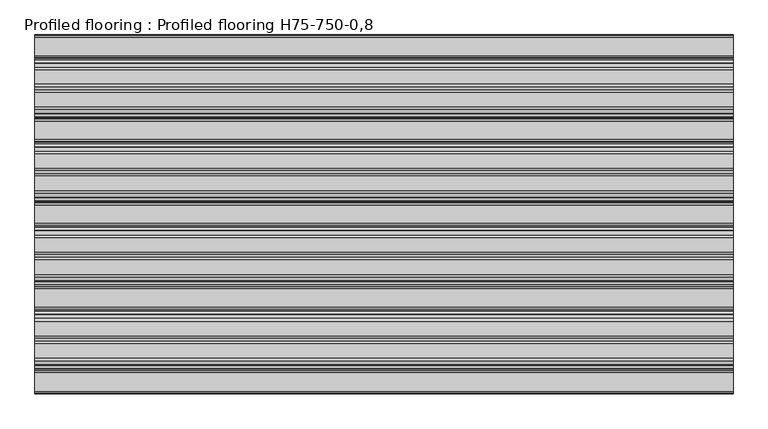
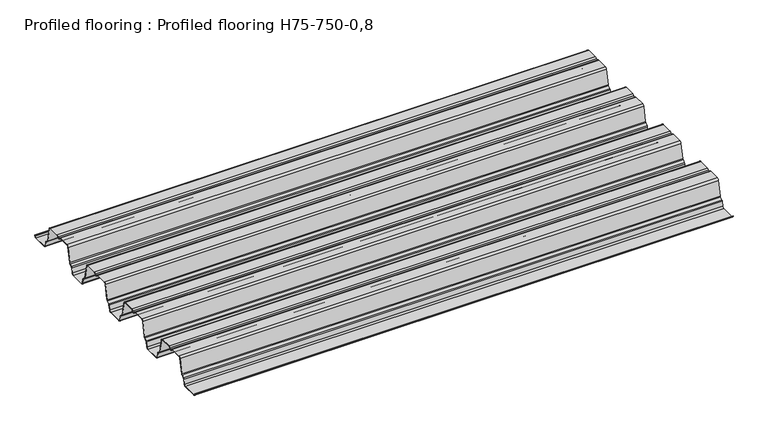
"""IFC4 building model written with IfcOpenShell, lengths in millimetres: beam geometry, Profiled flooring : Profiled flooring H75-750-0,8."""

from ifc_helpers import new_model, si_unit, point, frame, frame_2d, origin, place, context, project, spatial, polyline, circle_curve, trimmed, segment, composite_curve, outline, extrude, source, transform, mapped, element, save


def profiled_flooring_profiled_flooring_h75_750_0_8_088523be(model_context):
    return source(origin(), model_context, "Body", "SweptSolid", [
        extrude(outline(composite_curve([segment(polyline([(289.6571398, 75.0), (322.5532526, 75.0)]), True, "CONTINUOUS"), segment(trimmed(circle_curve(frame_2d((322.5532526, 69.2)), 5.8), [point((322.5532526, 75.0))], [point((328.2265087, 70.4058878))], False, "CARTESIAN"), True, "CONTINUOUS"), segment(polyline([(328.2265087, 70.4058878), (337.1183622, 28.5730061)]), True, "CONTINUOUS"), segment(trimmed(circle_curve(frame_2d((341.0309526, 29.4046528)), 4.0), [point((337.1183622, 28.5730061))], [point((338.6020133, 26.2265631))], True, "CARTESIAN"), True, "CONTINUOUS"), segment(polyline([(338.6020133, 26.2265631), (345.1202687, 21.2448138)]), True, "CONTINUOUS"), segment(trimmed(circle_curve(frame_2d((342.2055416, 17.4311061)), 4.8), [point((345.1202687, 21.2448138))], [point((346.9006501, 18.4290822))], False, "CARTESIAN"), True, "CONTINUOUS"), segment(polyline([(346.9006501, 18.4290822), (349.7618164, 4.9683532)]), True, "CONTINUOUS"), segment(trimmed(circle_curve(frame_2d((353.6744068, 5.8)), 4.0), [point((349.7618164, 4.9683532))], [point((353.6744068, 1.8))], True, "CARTESIAN"), True, "CONTINUOUS"), segment(polyline([(353.6744068, 1.8), (395.3032526, 1.8)]), True, "CONTINUOUS"), segment(trimmed(circle_curve(frame_2d((395.3032526, 5.8)), 4.0), [point((395.3032526, 1.8))], [point((399.215843, 4.9683532))], True, "CARTESIAN"), True, "CONTINUOUS"), segment(polyline([(399.215843, 4.9683532), (399.6476829, 7.0), (400.4302009, 6.8336706), (399.9983611, 4.8020239)]), True, "CONTINUOUS"), segment(trimmed(circle_curve(frame_2d((395.3032526, 5.8)), 4.8), [point((399.9983611, 4.8020239))], [point((395.3032526, 1.0))], False, "CARTESIAN"), True, "CONTINUOUS"), segment(polyline([(395.3032526, 1.0), (353.6744068, 1.0)]), True, "CONTINUOUS"), segment(trimmed(circle_curve(frame_2d((353.6744068, 5.8)), 4.8), [point((353.6744068, 1.0))], [point((348.9792983, 4.8020239))], False, "CARTESIAN"), True, "CONTINUOUS"), segment(polyline([(348.9792983, 4.8020239), (346.118132, 18.2627529)]), True, "CONTINUOUS"), segment(trimmed(circle_curve(frame_2d((342.2055416, 17.4311061)), 4.0), [point((346.118132, 18.2627529))], [point((344.6344809, 20.6091958))], True, "CARTESIAN"), True, "CONTINUOUS"), segment(polyline([(344.6344809, 20.6091958), (338.1162255, 25.5909452)]), True, "CONTINUOUS"), segment(trimmed(circle_curve(frame_2d((341.0309526, 29.4046528)), 4.8), [point((338.1162255, 25.5909452))], [point((336.3358441, 28.4066767))], False, "CARTESIAN"), True, "CONTINUOUS"), segment(polyline([(336.3358441, 28.4066767), (327.4439906, 70.2395585)]), True, "CONTINUOUS"), segment(trimmed(circle_curve(frame_2d((322.5532526, 69.2)), 5.0), [point((327.4439906, 70.2395585))], [point((322.5532526, 74.2))], True, "CARTESIAN"), True, "CONTINUOUS"), segment(polyline([(322.5532526, 74.2), (289.6571398, 74.2)]), True, "CONTINUOUS"), segment(trimmed(circle_curve(frame_2d((289.6571398, 70.2)), 4.0), [point((289.6571398, 74.2))], [point((285.8357126, 71.3818182))], True, "CARTESIAN"), True, "CONTINUOUS"), segment(trimmed(circle_curve(frame_2d((281.25, 72.8)), 4.8), [point((285.8357126, 71.3818182))], [point((276.6642874, 71.3818182))], False, "CARTESIAN"), True, "CONTINUOUS"), segment(trimmed(circle_curve(frame_2d((272.8428602, 70.2)), 4.0), [point((276.6642874, 71.3818182))], [point((272.8428602, 74.2))], True, "CARTESIAN"), True, "CONTINUOUS"), segment(polyline([(272.8428602, 74.2), (239.9467474, 74.2)]), True, "CONTINUOUS"), segment(trimmed(circle_curve(frame_2d((239.9467474, 69.2)), 5.0), [point((239.9467474, 74.2))], [point((235.0560094, 70.2395585))], True, "CARTESIAN"), True, "CONTINUOUS"), segment(polyline([(235.0560094, 70.2395585), (226.1641559, 28.4066767)]), True, "CONTINUOUS"), segment(trimmed(circle_curve(frame_2d((221.4690474, 29.4046528)), 4.8), [point((226.1641559, 28.4066767))], [point((224.3837745, 25.5909452))], False, "CARTESIAN"), True, "CONTINUOUS"), segment(polyline([(224.3837745, 25.5909452), (217.8655191, 20.6091958)]), True, "CONTINUOUS"), segment(trimmed(circle_curve(frame_2d((220.2944584, 17.4311061)), 4.0), [point((217.8655191, 20.6091958))], [point((216.381868, 18.2627529))], True, "CARTESIAN"), True, "CONTINUOUS"), segment(polyline([(216.381868, 18.2627529), (213.4765087, 4.5941122)]), True, "CONTINUOUS"), segment(trimmed(circle_curve(frame_2d((207.8032526, 5.8)), 5.8), [point((213.4765087, 4.5941122))], [point((207.8032526, 0.0))], False, "CARTESIAN"), True, "CONTINUOUS"), segment(polyline([(207.8032526, 0.0), (167.1967474, 0.0)]), True, "CONTINUOUS"), segment(trimmed(circle_curve(frame_2d((167.1967474, 5.8)), 5.8), [point((167.1967474, 0.0))], [point((161.5234913, 4.5941122))], False, "CARTESIAN"), True, "CONTINUOUS"), segment(polyline([(161.5234913, 4.5941122), (158.618132, 18.2627529)]), True, "CONTINUOUS"), segment(trimmed(circle_curve(frame_2d((154.7055416, 17.4311061)), 4.0), [point((158.618132, 18.2627529))], [point((157.1344809, 20.6091958))], True, "CARTESIAN"), True, "CONTINUOUS"), segment(polyline([(157.1344809, 20.6091958), (150.6162255, 25.5909452)]), True, "CONTINUOUS"), segment(trimmed(circle_curve(frame_2d((153.5309526, 29.4046528)), 4.8), [point((150.6162255, 25.5909452))], [point((148.8358441, 28.4066767))], False, "CARTESIAN"), True, "CONTINUOUS"), segment(polyline([(148.8358441, 28.4066767), (139.9439906, 70.2395585)]), True, "CONTINUOUS"), segment(trimmed(circle_curve(frame_2d((135.0532526, 69.2)), 5.0), [point((139.9439906, 70.2395585))], [point((135.0532526, 74.2))], True, "CARTESIAN"), True, "CONTINUOUS"), segment(polyline([(135.0532526, 74.2), (102.1571398, 74.2)]), True, "CONTINUOUS"), segment(trimmed(circle_curve(frame_2d((102.1571398, 70.2)), 4.0), [point((102.1571398, 74.2))], [point((98.3357126, 71.3818182))], True, "CARTESIAN"), True, "CONTINUOUS"), segment(trimmed(circle_curve(frame_2d((93.75, 72.8)), 4.8), [point((98.3357126, 71.3818182))], [point((89.1642874, 71.3818182))], False, "CARTESIAN"), True, "CONTINUOUS"), segment(trimmed(circle_curve(frame_2d((85.3428602, 70.2)), 4.0), [point((89.1642874, 71.3818182))], [point((85.3428602, 74.2))], True, "CARTESIAN"), True, "CONTINUOUS"), segment(polyline([(85.3428602, 74.2), (52.4467474, 74.2)]), True, "CONTINUOUS"), segment(trimmed(circle_curve(frame_2d((52.4467474, 69.2)), 5.0), [point((52.4467474, 74.2))], [point((47.5560094, 70.2395585))], True, "CARTESIAN"), True, "CONTINUOUS"), segment(polyline([(47.5560094, 70.2395585), (38.6641559, 28.4066767)]), True, "CONTINUOUS"), segment(trimmed(circle_curve(frame_2d((33.9690474, 29.4046528)), 4.8), [point((38.6641559, 28.4066767))], [point((36.8837745, 25.5909452))], False, "CARTESIAN"), True, "CONTINUOUS"), segment(polyline([(36.8837745, 25.5909452), (30.3655191, 20.6091958)]), True, "CONTINUOUS"), segment(trimmed(circle_curve(frame_2d((32.7944584, 17.4311061)), 4.0), [point((30.3655191, 20.6091958))], [point((28.881868, 18.2627529))], True, "CARTESIAN"), True, "CONTINUOUS"), segment(polyline([(28.881868, 18.2627529), (25.9765087, 4.5941122)]), True, "CONTINUOUS"), segment(trimmed(circle_curve(frame_2d((20.3032526, 5.8)), 5.8), [point((25.9765087, 4.5941122))], [point((20.3032526, 0.0))], False, "CARTESIAN"), True, "CONTINUOUS"), segment(polyline([(20.3032526, 0.0), (-20.3032526, 0.0)]), True, "CONTINUOUS"), segment(trimmed(circle_curve(frame_2d((-20.3032526, 5.8)), 5.8), [point((-20.3032526, 0.0))], [point((-25.9765087, 4.5941122))], False, "CARTESIAN"), True, "CONTINUOUS"), segment(polyline([(-25.9765087, 4.5941122), (-28.881868, 18.2627529)]), True, "CONTINUOUS"), segment(trimmed(circle_curve(frame_2d((-32.7944584, 17.4311061)), 4.0), [point((-28.881868, 18.2627529))], [point((-30.3655191, 20.6091958))], True, "CARTESIAN"), True, "CONTINUOUS"), segment(polyline([(-30.3655191, 20.6091958), (-36.8837745, 25.5909452)]), True, "CONTINUOUS"), segment(trimmed(circle_curve(frame_2d((-33.9690474, 29.4046528)), 4.8), [point((-36.8837745, 25.5909452))], [point((-38.6641559, 28.4066767))], False, "CARTESIAN"), True, "CONTINUOUS"), segment(polyline([(-38.6641559, 28.4066767), (-47.5560094, 70.2395585)]), True, "CONTINUOUS"), segment(trimmed(circle_curve(frame_2d((-52.4467474, 69.2)), 5.0), [point((-47.5560094, 70.2395585))], [point((-52.4467474, 74.2))], True, "CARTESIAN"), True, "CONTINUOUS"), segment(polyline([(-52.4467474, 74.2), (-85.3428602, 74.2)]), True, "CONTINUOUS"), segment(trimmed(circle_curve(frame_2d((-85.3428602, 70.2)), 4.0), [point((-85.3428602, 74.2))], [point((-89.1642874, 71.3818182))], True, "CARTESIAN"), True, "CONTINUOUS"), segment(trimmed(circle_curve(frame_2d((-93.75, 72.8)), 4.8), [point((-89.1642874, 71.3818182))], [point((-98.3357126, 71.3818182))], False, "CARTESIAN"), True, "CONTINUOUS"), segment(trimmed(circle_curve(frame_2d((-102.1571398, 70.2)), 4.0), [point((-98.3357126, 71.3818182))], [point((-102.1571398, 74.2))], True, "CARTESIAN"), True, "CONTINUOUS"), segment(polyline([(-102.1571398, 74.2), (-135.0532526, 74.2)]), True, "CONTINUOUS"), segment(trimmed(circle_curve(frame_2d((-135.0532526, 69.2)), 5.0), [point((-135.0532526, 74.2))], [point((-139.9439906, 70.2395585))], True, "CARTESIAN"), True, "CONTINUOUS"), segment(polyline([(-139.9439906, 70.2395585), (-148.8358441, 28.4066767)]), True, "CONTINUOUS"), segment(trimmed(circle_curve(frame_2d((-153.5309526, 29.4046528)), 4.8), [point((-148.8358441, 28.4066767))], [point((-150.6162255, 25.5909452))], False, "CARTESIAN"), True, "CONTINUOUS"), segment(polyline([(-150.6162255, 25.5909452), (-157.1344809, 20.6091958)]), True, "CONTINUOUS"), segment(trimmed(circle_curve(frame_2d((-154.7055416, 17.4311061)), 4.0), [point((-157.1344809, 20.6091958))], [point((-158.618132, 18.2627529))], True, "CARTESIAN"), True, "CONTINUOUS"), segment(polyline([(-158.618132, 18.2627529), (-161.5234913, 4.5941122)]), True, "CONTINUOUS"), segment(trimmed(circle_curve(frame_2d((-167.1967474, 5.8)), 5.8), [point((-161.5234913, 4.5941122))], [point((-167.1967474, 0.0))], False, "CARTESIAN"), True, "CONTINUOUS"), segment(polyline([(-167.1967474, 0.0), (-207.8032526, 0.0)]), True, "CONTINUOUS"), segment(trimmed(circle_curve(frame_2d((-207.8032526, 5.8)), 5.8), [point((-207.8032526, 0.0))], [point((-213.4765087, 4.5941122))], False, "CARTESIAN"), True, "CONTINUOUS"), segment(polyline([(-213.4765087, 4.5941122), (-216.381868, 18.2627529)]), True, "CONTINUOUS"), segment(trimmed(circle_curve(frame_2d((-220.2944584, 17.4311061)), 4.0), [point((-216.381868, 18.2627529))], [point((-217.8655191, 20.6091958))], True, "CARTESIAN"), True, "CONTINUOUS"), segment(polyline([(-217.8655191, 20.6091958), (-224.3837745, 25.5909452)]), True, "CONTINUOUS"), segment(trimmed(circle_curve(frame_2d((-221.4690474, 29.4046528)), 4.8), [point((-224.3837745, 25.5909452))], [point((-226.1641559, 28.4066767))], False, "CARTESIAN"), True, "CONTINUOUS"), segment(polyline([(-226.1641559, 28.4066767), (-235.0560094, 70.2395585)]), True, "CONTINUOUS"), segment(trimmed(circle_curve(frame_2d((-239.9467474, 69.2)), 5.0), [point((-235.0560094, 70.2395585))], [point((-239.9467474, 74.2))], True, "CARTESIAN"), True, "CONTINUOUS"), segment(polyline([(-239.9467474, 74.2), (-272.8428602, 74.2)]), True, "CONTINUOUS"), segment(trimmed(circle_curve(frame_2d((-272.8428602, 70.2)), 4.0), [point((-272.8428602, 74.2))], [point((-276.6642874, 71.3818182))], True, "CARTESIAN"), True, "CONTINUOUS"), segment(trimmed(circle_curve(frame_2d((-281.25, 72.8)), 4.8), [point((-276.6642874, 71.3818182))], [point((-285.8357126, 71.3818182))], False, "CARTESIAN"), True, "CONTINUOUS"), segment(trimmed(circle_curve(frame_2d((-289.6571398, 70.2)), 4.0), [point((-285.8357126, 71.3818182))], [point((-289.6571398, 74.2))], True, "CARTESIAN"), True, "CONTINUOUS"), segment(polyline([(-289.6571398, 74.2), (-322.5532526, 74.2)]), True, "CONTINUOUS"), segment(trimmed(circle_curve(frame_2d((-322.5532526, 69.2)), 5.0), [point((-322.5532526, 74.2))], [point((-327.4439906, 70.2395585))], True, "CARTESIAN"), True, "CONTINUOUS"), segment(polyline([(-327.4439906, 70.2395585), (-336.3358441, 28.4066767)]), True, "CONTINUOUS"), segment(trimmed(circle_curve(frame_2d((-341.0309526, 29.4046528)), 4.8), [point((-336.3358441, 28.4066767))], [point((-338.1162255, 25.5909452))], False, "CARTESIAN"), True, "CONTINUOUS"), segment(polyline([(-338.1162255, 25.5909452), (-344.6344809, 20.6091958)]), True, "CONTINUOUS"), segment(trimmed(circle_curve(frame_2d((-342.2055416, 17.4311061)), 4.0), [point((-344.6344809, 20.6091958))], [point((-346.118132, 18.2627529))], True, "CARTESIAN"), True, "CONTINUOUS"), segment(polyline([(-346.118132, 18.2627529), (-349.0234913, 4.5941122)]), True, "CONTINUOUS"), segment(trimmed(circle_curve(frame_2d((-354.6967474, 5.8)), 5.8), [point((-349.0234913, 4.5941122))], [point((-354.6967474, 0.0))], False, "CARTESIAN"), True, "CONTINUOUS"), segment(polyline([(-354.6967474, 0.0), (-396.3255932, 0.0)]), True, "CONTINUOUS"), segment(trimmed(circle_curve(frame_2d((-396.3255932, 5.8)), 5.8), [point((-396.3255932, 0.0))], [point((-401.9988493, 4.5941122))], False, "CARTESIAN"), True, "CONTINUOUS"), segment(polyline([(-401.9988493, 4.5941122), (-402.2623256, 5.8336706), (-401.4798075, 6.0), (-401.2163312, 4.7604415)]), True, "CONTINUOUS"), segment(trimmed(circle_curve(frame_2d((-396.3255932, 5.8)), 5.0), [point((-401.2163312, 4.7604415))], [point((-396.3255932, 0.8))], True, "CARTESIAN"), True, "CONTINUOUS"), segment(polyline([(-396.3255932, 0.8), (-354.6967474, 0.8)]), True, "CONTINUOUS"), segment(trimmed(circle_curve(frame_2d((-354.6967474, 5.8)), 5.0), [point((-354.6967474, 0.8))], [point((-349.8060094, 4.7604415))], True, "CARTESIAN"), True, "CONTINUOUS"), segment(polyline([(-349.8060094, 4.7604415), (-346.9006501, 18.4290822)]), True, "CONTINUOUS"), segment(trimmed(circle_curve(frame_2d((-342.2055416, 17.4311061)), 4.8), [point((-346.9006501, 18.4290822))], [point((-345.1202687, 21.2448138))], False, "CARTESIAN"), True, "CONTINUOUS"), segment(polyline([(-345.1202687, 21.2448138), (-338.6020133, 26.2265631)]), True, "CONTINUOUS"), segment(trimmed(circle_curve(frame_2d((-341.0309526, 29.4046528)), 4.0), [point((-338.6020133, 26.2265631))], [point((-337.1183622, 28.5730061))], True, "CARTESIAN"), True, "CONTINUOUS"), segment(polyline([(-337.1183622, 28.5730061), (-328.2265087, 70.4058878)]), True, "CONTINUOUS"), segment(trimmed(circle_curve(frame_2d((-322.5532526, 69.2)), 5.8), [point((-328.2265087, 70.4058878))], [point((-322.5532526, 75.0))], False, "CARTESIAN"), True, "CONTINUOUS"), segment(polyline([(-322.5532526, 75.0), (-289.6571398, 75.0)]), True, "CONTINUOUS"), segment(trimmed(circle_curve(frame_2d((-289.6571398, 70.2)), 4.8), [point((-289.6571398, 75.0))], [point((-285.0714272, 71.6181818))], False, "CARTESIAN"), True, "CONTINUOUS"), segment(trimmed(circle_curve(frame_2d((-281.25, 72.8)), 4.0), [point((-285.0714272, 71.6181818))], [point((-277.4285728, 71.6181818))], True, "CARTESIAN"), True, "CONTINUOUS"), segment(trimmed(circle_curve(frame_2d((-272.8428602, 70.2)), 4.8), [point((-277.4285728, 71.6181818))], [point((-272.8428602, 75.0))], False, "CARTESIAN"), True, "CONTINUOUS"), segment(polyline([(-272.8428602, 75.0), (-239.9467474, 75.0)]), True, "CONTINUOUS"), segment(trimmed(circle_curve(frame_2d((-239.9467474, 69.2)), 5.8), [point((-239.9467474, 75.0))], [point((-234.2734913, 70.4058878))], False, "CARTESIAN"), True, "CONTINUOUS"), segment(polyline([(-234.2734913, 70.4058878), (-225.3816378, 28.5730061)]), True, "CONTINUOUS"), segment(trimmed(circle_curve(frame_2d((-221.4690474, 29.4046528)), 4.0), [point((-225.3816378, 28.5730061))], [point((-223.8979867, 26.2265631))], True, "CARTESIAN"), True, "CONTINUOUS"), segment(polyline([(-223.8979867, 26.2265631), (-217.3797313, 21.2448138)]), True, "CONTINUOUS"), segment(trimmed(circle_curve(frame_2d((-220.2944584, 17.4311061)), 4.8), [point((-217.3797313, 21.2448138))], [point((-215.5993499, 18.4290822))], False, "CARTESIAN"), True, "CONTINUOUS"), segment(polyline([(-215.5993499, 18.4290822), (-212.6939906, 4.7604415)]), True, "CONTINUOUS"), segment(trimmed(circle_curve(frame_2d((-207.8032526, 5.8)), 5.0), [point((-212.6939906, 4.7604415))], [point((-207.8032526, 0.8))], True, "CARTESIAN"), True, "CONTINUOUS"), segment(polyline([(-207.8032526, 0.8), (-167.1967474, 0.8)]), True, "CONTINUOUS"), segment(trimmed(circle_curve(frame_2d((-167.1967474, 5.8)), 5.0), [point((-167.1967474, 0.8))], [point((-162.3060094, 4.7604415))], True, "CARTESIAN"), True, "CONTINUOUS"), segment(polyline([(-162.3060094, 4.7604415), (-159.4006501, 18.4290822)]), True, "CONTINUOUS"), segment(trimmed(circle_curve(frame_2d((-154.7055416, 17.4311061)), 4.8), [point((-159.4006501, 18.4290822))], [point((-157.6202687, 21.2448138))], False, "CARTESIAN"), True, "CONTINUOUS"), segment(polyline([(-157.6202687, 21.2448138), (-151.1020133, 26.2265631)]), True, "CONTINUOUS"), segment(trimmed(circle_curve(frame_2d((-153.5309526, 29.4046528)), 4.0), [point((-151.1020133, 26.2265631))], [point((-149.6183622, 28.5730061))], True, "CARTESIAN"), True, "CONTINUOUS"), segment(polyline([(-149.6183622, 28.5730061), (-140.7265087, 70.4058878)]), True, "CONTINUOUS"), segment(trimmed(circle_curve(frame_2d((-135.0532526, 69.2)), 5.8), [point((-140.7265087, 70.4058878))], [point((-135.0532526, 75.0))], False, "CARTESIAN"), True, "CONTINUOUS"), segment(polyline([(-135.0532526, 75.0), (-102.1571398, 75.0)]), True, "CONTINUOUS"), segment(trimmed(circle_curve(frame_2d((-102.1571398, 70.2)), 4.8), [point((-102.1571398, 75.0))], [point((-97.5714272, 71.6181818))], False, "CARTESIAN"), True, "CONTINUOUS"), segment(trimmed(circle_curve(frame_2d((-93.75, 72.8)), 4.0), [point((-97.5714272, 71.6181818))], [point((-89.9285728, 71.6181818))], True, "CARTESIAN"), True, "CONTINUOUS"), segment(trimmed(circle_curve(frame_2d((-85.3428602, 70.2)), 4.8), [point((-89.9285728, 71.6181818))], [point((-85.3428602, 75.0))], False, "CARTESIAN"), True, "CONTINUOUS"), segment(polyline([(-85.3428602, 75.0), (-52.4467474, 75.0)]), True, "CONTINUOUS"), segment(trimmed(circle_curve(frame_2d((-52.4467474, 69.2)), 5.8), [point((-52.4467474, 75.0))], [point((-46.7734913, 70.4058878))], False, "CARTESIAN"), True, "CONTINUOUS"), segment(polyline([(-46.7734913, 70.4058878), (-37.8816378, 28.5730061)]), True, "CONTINUOUS"), segment(trimmed(circle_curve(frame_2d((-33.9690474, 29.4046528)), 4.0), [point((-37.8816378, 28.5730061))], [point((-36.3979867, 26.2265631))], True, "CARTESIAN"), True, "CONTINUOUS"), segment(polyline([(-36.3979867, 26.2265631), (-29.8797313, 21.2448138)]), True, "CONTINUOUS"), segment(trimmed(circle_curve(frame_2d((-32.7944584, 17.4311061)), 4.8), [point((-29.8797313, 21.2448138))], [point((-28.0993499, 18.4290822))], False, "CARTESIAN"), True, "CONTINUOUS"), segment(polyline([(-28.0993499, 18.4290822), (-25.1939906, 4.7604415)]), True, "CONTINUOUS"), segment(trimmed(circle_curve(frame_2d((-20.3032526, 5.8)), 5.0), [point((-25.1939906, 4.7604415))], [point((-20.3032526, 0.8))], True, "CARTESIAN"), True, "CONTINUOUS"), segment(polyline([(-20.3032526, 0.8), (20.3032526, 0.8)]), True, "CONTINUOUS"), segment(trimmed(circle_curve(frame_2d((20.3032526, 5.8)), 5.0), [point((20.3032526, 0.8))], [point((25.1939906, 4.7604415))], True, "CARTESIAN"), True, "CONTINUOUS"), segment(polyline([(25.1939906, 4.7604415), (28.0993499, 18.4290822)]), True, "CONTINUOUS"), segment(trimmed(circle_curve(frame_2d((32.7944584, 17.4311061)), 4.8), [point((28.0993499, 18.4290822))], [point((29.8797313, 21.2448138))], False, "CARTESIAN"), True, "CONTINUOUS"), segment(polyline([(29.8797313, 21.2448138), (36.3979867, 26.2265631)]), True, "CONTINUOUS"), segment(trimmed(circle_curve(frame_2d((33.9690474, 29.4046528)), 4.0), [point((36.3979867, 26.2265631))], [point((37.8816378, 28.5730061))], True, "CARTESIAN"), True, "CONTINUOUS"), segment(polyline([(37.8816378, 28.5730061), (46.7734913, 70.4058878)]), True, "CONTINUOUS"), segment(trimmed(circle_curve(frame_2d((52.4467474, 69.2)), 5.8), [point((46.7734913, 70.4058878))], [point((52.4467474, 75.0))], False, "CARTESIAN"), True, "CONTINUOUS"), segment(polyline([(52.4467474, 75.0), (85.3428602, 75.0)]), True, "CONTINUOUS"), segment(trimmed(circle_curve(frame_2d((85.3428602, 70.2)), 4.8), [point((85.3428602, 75.0))], [point((89.9285728, 71.6181818))], False, "CARTESIAN"), True, "CONTINUOUS"), segment(trimmed(circle_curve(frame_2d((93.75, 72.8)), 4.0), [point((89.9285728, 71.6181818))], [point((97.5714272, 71.6181818))], True, "CARTESIAN"), True, "CONTINUOUS"), segment(trimmed(circle_curve(frame_2d((102.1571398, 70.2)), 4.8), [point((97.5714272, 71.6181818))], [point((102.1571398, 75.0))], False, "CARTESIAN"), True, "CONTINUOUS"), segment(polyline([(102.1571398, 75.0), (135.0532526, 75.0)]), True, "CONTINUOUS"), segment(trimmed(circle_curve(frame_2d((135.0532526, 69.2)), 5.8), [point((135.0532526, 75.0))], [point((140.7265087, 70.4058878))], False, "CARTESIAN"), True, "CONTINUOUS"), segment(polyline([(140.7265087, 70.4058878), (149.6183622, 28.5730061)]), True, "CONTINUOUS"), segment(trimmed(circle_curve(frame_2d((153.5309526, 29.4046528)), 4.0), [point((149.6183622, 28.5730061))], [point((151.1020133, 26.2265631))], True, "CARTESIAN"), True, "CONTINUOUS"), segment(polyline([(151.1020133, 26.2265631), (157.6202687, 21.2448138)]), True, "CONTINUOUS"), segment(trimmed(circle_curve(frame_2d((154.7055416, 17.4311061)), 4.8), [point((157.6202687, 21.2448138))], [point((159.4006501, 18.4290822))], False, "CARTESIAN"), True, "CONTINUOUS"), segment(polyline([(159.4006501, 18.4290822), (162.3060094, 4.7604415)]), True, "CONTINUOUS"), segment(trimmed(circle_curve(frame_2d((167.1967474, 5.8)), 5.0), [point((162.3060094, 4.7604415))], [point((167.1967474, 0.8))], True, "CARTESIAN"), True, "CONTINUOUS"), segment(polyline([(167.1967474, 0.8), (207.8032526, 0.8)]), True, "CONTINUOUS"), segment(trimmed(circle_curve(frame_2d((207.8032526, 5.8)), 5.0), [point((207.8032526, 0.8))], [point((212.6939906, 4.7604415))], True, "CARTESIAN"), True, "CONTINUOUS"), segment(polyline([(212.6939906, 4.7604415), (215.5993499, 18.4290822)]), True, "CONTINUOUS"), segment(trimmed(circle_curve(frame_2d((220.2944584, 17.4311061)), 4.8), [point((215.5993499, 18.4290822))], [point((217.3797313, 21.2448138))], False, "CARTESIAN"), True, "CONTINUOUS"), segment(polyline([(217.3797313, 21.2448138), (223.8979867, 26.2265631)]), True, "CONTINUOUS"), segment(trimmed(circle_curve(frame_2d((221.4690474, 29.4046528)), 4.0), [point((223.8979867, 26.2265631))], [point((225.3816378, 28.5730061))], True, "CARTESIAN"), True, "CONTINUOUS"), segment(polyline([(225.3816378, 28.5730061), (234.2734913, 70.4058878)]), True, "CONTINUOUS"), segment(trimmed(circle_curve(frame_2d((239.9467474, 69.2)), 5.8), [point((234.2734913, 70.4058878))], [point((239.9467474, 75.0))], False, "CARTESIAN"), True, "CONTINUOUS"), segment(polyline([(239.9467474, 75.0), (272.8428602, 75.0)]), True, "CONTINUOUS"), segment(trimmed(circle_curve(frame_2d((272.8428602, 70.2)), 4.8), [point((272.8428602, 75.0))], [point((277.4285728, 71.6181818))], False, "CARTESIAN"), True, "CONTINUOUS"), segment(trimmed(circle_curve(frame_2d((281.25, 72.8)), 4.0), [point((277.4285728, 71.6181818))], [point((285.0714272, 71.6181818))], True, "CARTESIAN"), True, "CONTINUOUS"), segment(trimmed(circle_curve(frame_2d((289.6571398, 70.2)), 4.8), [point((285.0714272, 71.6181818))], [point((289.6571398, 75.0))], False, "CARTESIAN"), True, "CONTINUOUS")], self_intersect=False)), frame((-780.0, 0.0, 0.0), z_axis=(1.0, 0.0, 0.0), x_axis=(0.0, 1.0, 0.0)), (0.0, 0.0, 1.0), 1560.0),
    ])


if __name__ == "__main__":
    model = new_model("IFC4")
    model_context = context("Model", 3, world=origin())
    ifc_project = project(units=[si_unit("LENGTHUNIT", "METRE", prefix="MILLI")], contexts=[model_context])
    site = spatial("IfcSite", under=ifc_project)
    building = spatial("IfcBuilding", under=site)
    placement = place(None, origin())
    profiled_flooring_profiled_flooring_h75_750_0_8_shape = profiled_flooring_profiled_flooring_h75_750_0_8_088523be(model_context)
    element("IfcBeam", 1, ObjectType="Profiled flooring : Profiled flooring H75-750-0,8", at=placement, inside=building, context=model_context, shape_type="MappedRepresentation", body=[
        mapped(profiled_flooring_profiled_flooring_h75_750_0_8_shape, transform((0.0, 0.0, 0.0), x_axis=(1.0, 0.0, 0.0), y_axis=(0.0, 1.0, 0.0), z_axis=(0.0, 0.0, 1.0))),
    ])
    save(model, "model.ifc")
